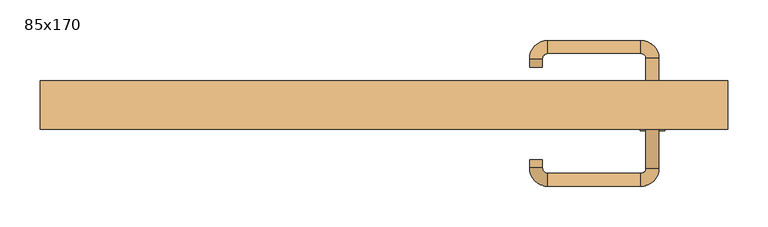
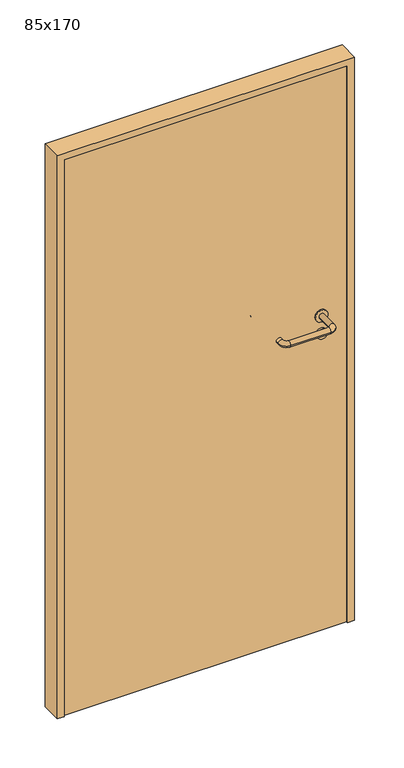
"""IFC4 building model written with IfcOpenShell, lengths in millimetres: door geometry, 85x170."""

from ifc_helpers import new_model, si_unit, point, frame, frame_2d, origin, origin_with_axes, place, context, project, spatial, polyline, circle_curve, ellipse_curve, trimmed, segment, composite_curve, outline, extrude, source, transform, mapped, element, save
from ifc_brep_helpers import plane_surface, cylinder_surface, revolved_surface, advanced_brep


def door_85x170_61586145(model_context):
    return source(origin(), model_context, "Body", "SolidModel", [
        extrude(outline(composite_curve([segment(trimmed(circle_curve(frame_2d((897.3605726, 332.0)), 15.0), [point((897.3605726, 347.0))], [point((897.3605726, 317.0))], False, "CARTESIAN"), True, "CONTINUOUS"), segment(trimmed(circle_curve(frame_2d((897.3605726, 332.0)), 15.0), [point((897.3605726, 317.0))], [point((897.3605726, 347.0))], False, "CARTESIAN"), True, "CONTINUOUS")], self_intersect=False), holes=[composite_curve([segment(trimmed(circle_curve(frame_2d((892.5833211, 331.9398032)), 2.0), [point((892.5833211, 333.9398032))], [point((892.5833211, 329.9398032))], True, "CARTESIAN"), True, "CONTINUOUS"), segment(polyline([(892.5833211, 329.9398032), (902.5833211, 329.9398032)]), True, "CONTINUOUS"), segment(trimmed(circle_curve(frame_2d((902.5833211, 331.9398032)), 2.0), [point((902.5833211, 329.9398032))], [point((902.5833211, 333.9398032))], True, "CARTESIAN"), True, "CONTINUOUS"), segment(polyline([(902.5833211, 333.9398032), (892.5833211, 333.9398032)]), True, "CONTINUOUS")], self_intersect=False)]), frame((0.0, 0.0, 0.0), z_axis=(0.0, 1.0, 0.0), x_axis=(0.0, 0.0, 1.0)), (0.0, 0.0, 1.0), 6.35),
        extrude(outline(composite_curve([segment(trimmed(circle_curve(frame_2d((950.0, 332.0)), 17.526), [point((950.0, 349.526))], [point((950.0, 314.474))], False, "CARTESIAN"), True, "CONTINUOUS"), segment(trimmed(circle_curve(frame_2d((950.0, 332.0)), 17.526), [point((950.0, 314.474))], [point((950.0, 349.526))], False, "CARTESIAN"), True, "CONTINUOUS")], self_intersect=False)), frame((0.0, 0.0, 0.0), z_axis=(0.0, 1.0, 0.0), x_axis=(0.0, 0.0, 1.0)), (0.0, 0.0, 1.0), 3.175),
        advanced_brep(
        [(340.0, 0.0, 950.0), (324.0, 0.0, 950.0), (340.0, 53.0, 950.0), (324.0, 53.0, 950.0), (317.8578644, 59.1421356, 950.0), (317.8578644, 75.1421356, 950.0), (202.8578644, 75.1421356, 950.0), (202.8578644, 59.1421356, 950.0), (196.008622, 52.2928932, 950.0), (180.008622, 52.2928932, 950.0), (180.008622, 42.2928932, 950.0), (196.008622, 42.2928932, 950.0)],
        [
            (0, 1, circle_curve(frame((332.0, 0.0, 950.0), z_axis=(0.0, -1.0, 0.0), x_axis=(-1.0, 0.0, 0.0)), 8.0)),
            (1, 0, circle_curve(frame((332.0, 0.0, 950.0), z_axis=(0.0, -1.0, 0.0), x_axis=(-1.0, 0.0, 0.0)), 8.0)),
            (0, 2),
            (2, 3, circle_curve(frame((332.0, 53.0, 950.0), z_axis=(0.0, -1.0, 0.0), x_axis=(-1.0, 0.0, 0.0)), 8.0)),
            (3, 1),
            (3, 2, circle_curve(frame((332.0, 53.0, 950.0), z_axis=(0.0, -1.0, 0.0), x_axis=(-1.0, 0.0, 0.0)), 8.0)),
            (4, 3, circle_curve(frame((317.8578644, 53.0, 950.0), z_axis=(0.0, 0.0, -1.0), x_axis=(1.0, 0.0, 0.0)), 6.1421356)),
            (2, 5, circle_curve(frame((317.8578644, 53.0, 950.0), z_axis=(0.0, 0.0, 1.0), x_axis=(1.0, 0.0, 0.0)), 22.1421356)),
            (5, 4, circle_curve(frame((317.8578644, 67.1421356, 950.0), z_axis=(1.0, 0.0, 0.0), x_axis=(0.0, -1.0, 0.0)), 8.0)),
            (4, 5, circle_curve(frame((317.8578644, 67.1421356, 950.0), z_axis=(1.0, 0.0, 0.0), x_axis=(0.0, -1.0, 0.0)), 8.0)),
            (5, 6),
            (6, 7, circle_curve(frame((202.8578644, 67.1421356, 950.0), z_axis=(1.0, 0.0, 0.0), x_axis=(0.0, -1.0, 0.0)), 8.0)),
            (7, 4),
            (7, 6, circle_curve(frame((202.8578644, 67.1421356, 950.0), z_axis=(1.0, 0.0, 0.0), x_axis=(0.0, -1.0, 0.0)), 8.0)),
            (8, 7, circle_curve(frame((202.8578644, 52.2928932, 950.0), z_axis=(0.0, 0.0, -1.0), x_axis=(0.0, 1.0, 0.0)), 6.8492424)),
            (6, 9, circle_curve(frame((202.8578644, 52.2928932, 950.0), z_axis=(0.0, 0.0, 1.0), x_axis=(0.0, 1.0, 0.0)), 22.8492424)),
            (9, 8, circle_curve(frame((188.008622, 52.2928932, 950.0), z_axis=(0.0, 1.0, 0.0), x_axis=(1.0, 0.0, 0.0)), 8.0)),
            (8, 9, circle_curve(frame((188.008622, 52.2928932, 950.0), z_axis=(0.0, 1.0, 0.0), x_axis=(1.0, 0.0, 0.0)), 8.0)),
            (10, 11, circle_curve(frame((188.008622, 42.2928932, 950.0), z_axis=(0.0, -1.0, 0.0), x_axis=(1.0, 0.0, 0.0)), 8.0)),
            (11, 10, circle_curve(frame((188.008622, 42.2928932, 950.0), z_axis=(0.0, -1.0, 0.0), x_axis=(1.0, 0.0, 0.0)), 8.0)),
            (9, 10),
            (11, 8),
        ],
        [
            plane_surface(frame((332.0, 0.0, 0.0), z_axis=(0.0, -1.0, 0.0), x_axis=(0.0, 0.0, 1.0))),
            cylinder_surface(frame((332.0, 0.0, 950.0), z_axis=(0.0, -1.0, 0.0), x_axis=(-1.0, 0.0, 0.0)), 8.0),
            revolved_surface(trimmed(ellipse_curve(frame((332.0, 53.0, 950.0), z_axis=(0.0, -1.0, 0.0), x_axis=(-1.0, 0.0, 0.0)), 8.0, 8.0), [point((340.0, 53.0, 950.0))], [point((324.0, 53.0, 950.0))], True, "CARTESIAN"), (317.8578644, 53.0, 0.0), (0.0, 0.0, 1.0)),
            revolved_surface(trimmed(ellipse_curve(frame((332.0, 53.0, 950.0), z_axis=(0.0, -1.0, 0.0), x_axis=(-1.0, 0.0, 0.0)), 8.0, 8.0), [point((324.0, 53.0, 950.0))], [point((340.0, 53.0, 950.0))], True, "CARTESIAN"), (317.8578644, 53.0, 0.0), (0.0, 0.0, 1.0)),
            cylinder_surface(frame((317.8578644, 67.1421356, 950.0), z_axis=(1.0, 0.0, 0.0), x_axis=(0.0, -1.0, 0.0)), 8.0),
            revolved_surface(trimmed(ellipse_curve(frame((202.8578644, 67.1421356, 950.0), z_axis=(1.0, 0.0, 0.0), x_axis=(0.0, -1.0, 0.0)), 8.0, 8.0), [point((202.8578644, 75.1421356, 950.0))], [point((202.8578644, 59.1421356, 950.0))], True, "CARTESIAN"), (202.8578644, 52.2928932, 0.0), (0.0, 0.0, 1.0)),
            revolved_surface(trimmed(ellipse_curve(frame((202.8578644, 67.1421356, 950.0), z_axis=(1.0, 0.0, 0.0), x_axis=(0.0, -1.0, 0.0)), 8.0, 8.0), [point((202.8578644, 59.1421356, 950.0))], [point((202.8578644, 75.1421356, 950.0))], True, "CARTESIAN"), (202.8578644, 52.2928932, 0.0), (0.0, 0.0, 1.0)),
            plane_surface(frame((188.008622, 42.2928932, 0.0), z_axis=(0.0, -1.0, 0.0), x_axis=(0.0, 0.0, 1.0))),
            cylinder_surface(frame((188.008622, 52.2928932, 950.0), z_axis=(0.0, 1.0, 0.0), x_axis=(1.0, 0.0, 0.0)), 8.0),
        ],
        [
            (0, [[1, 2]]),
            (1, [[-1, 3, 4, 5]]),
            (1, [[-2, -5, 6, -3]]),
            (2, [[7, -4, 8, 9]]),
            (3, [[-8, -6, -7, 10]]),
            (4, [[-9, 11, 12, 13]]),
            (4, [[-10, -13, 14, -11]]),
            (5, [[15, -12, 16, 17]]),
            (6, [[-16, -14, -15, 18]]),
            (7, [[19, 20]]),
            (8, [[-17, 21, -20, 22]]),
            (8, [[-18, -22, -19, -21]]),
        ],
    ),
        extrude(outline(composite_curve([segment(trimmed(circle_curve(frame_2d((0.0, 15.0)), 15.0), [point((0.0, 30.0))], [point((0.0, 0.0))], False, "CARTESIAN"), True, "CONTINUOUS"), segment(trimmed(circle_curve(frame_2d((0.0, 15.0)), 15.0), [point((0.0, 0.0))], [point((0.0, 30.0))], False, "CARTESIAN"), True, "CONTINUOUS")], self_intersect=False), holes=[composite_curve([segment(trimmed(circle_curve(frame_2d((-4.7772515, 14.9398032)), 2.0), [point((-4.7772515, 16.9398032))], [point((-4.7772515, 12.9398032))], True, "CARTESIAN"), True, "CONTINUOUS"), segment(polyline([(-4.7772515, 12.9398032), (5.2227485, 12.9398032)]), True, "CONTINUOUS"), segment(trimmed(circle_curve(frame_2d((5.2227485, 14.9398032)), 2.0), [point((5.2227485, 12.9398032))], [point((5.2227485, 16.9398032))], True, "CARTESIAN"), True, "CONTINUOUS"), segment(polyline([(5.2227485, 16.9398032), (-4.7772515, 16.9398032)]), True, "CONTINUOUS")], self_intersect=False)]), frame((317.0, -36.35, 897.3605726), z_axis=(-1.8870575173328306e-12, 1.0, 0.0), x_axis=(0.0, 0.0, 1.0)), (0.0, 0.0, 1.0), 6.35),
        extrude(outline(composite_curve([segment(trimmed(circle_curve(frame_2d((0.0, 17.526)), 17.526), [point((0.0, 35.052))], [point((0.0, 0.0))], False, "CARTESIAN"), True, "CONTINUOUS"), segment(trimmed(circle_curve(frame_2d((0.0, 17.526)), 17.526), [point((0.0, 0.0))], [point((0.0, 35.052))], False, "CARTESIAN"), True, "CONTINUOUS")], self_intersect=False)), frame((314.474, -33.175, 950.0), z_axis=(-1.8870575173328306e-12, 1.0, 0.0), x_axis=(0.0, 0.0, 1.0)), (0.0, 0.0, 1.0), 3.175),
        advanced_brep(
        [(340.0, -30.0, 950.0), (324.0, -30.0, 950.0), (324.0, -83.0, 950.0), (340.0, -83.0, 950.0), (317.8578644, -89.1421356, 950.0), (317.8578644, -105.1421356, 950.0), (202.8578644, -89.1421356, 950.0), (202.8578644, -105.1421356, 950.0), (196.008622, -82.2928932, 950.0), (180.008622, -82.2928932, 950.0), (180.008622, -72.2928932, 950.0), (196.008622, -72.2928932, 950.0)],
        [
            (0, 1, circle_curve(frame((332.0, -30.0, 950.0), z_axis=(-1.888672253512351e-12, 1.0, 0.0), x_axis=(-1.0, -1.888672253512351e-12, 0.0)), 8.0)),
            (1, 0, circle_curve(frame((332.0, -30.0, 950.0), z_axis=(-1.888672253512351e-12, 1.0, 0.0), x_axis=(-1.0, -1.888672253512351e-12, 0.0)), 8.0)),
            (1, 2),
            (2, 3, circle_curve(frame((332.0, -83.0, 950.0), z_axis=(-1.888672253512351e-12, 1.0, 0.0), x_axis=(-1.0, -1.888672253512351e-12, 0.0)), 8.0)),
            (3, 0),
            (3, 2, circle_curve(frame((332.0, -83.0, 950.0), z_axis=(-1.888672253512351e-12, 1.0, 0.0), x_axis=(-1.0, -1.888672253512351e-12, 0.0)), 8.0)),
            (4, 5, circle_curve(frame((317.8578644, -97.1421356, 950.0), z_axis=(1.0, 1.913702061528922e-12, 0.0), x_axis=(-1.913702061528922e-12, 1.0, 0.0)), 8.0)),
            (5, 3, circle_curve(frame((317.8578644, -83.0, 950.0), z_axis=(0.0, 0.0, 1.0), x_axis=(1.0, 1.880717803715015e-12, 0.0)), 22.1421356)),
            (2, 4, circle_curve(frame((317.8578644, -83.0, 950.0), z_axis=(0.0, 0.0, -1.0), x_axis=(1.0, 1.880717803715015e-12, 0.0)), 6.1421356)),
            (5, 4, circle_curve(frame((317.8578644, -97.1421356, 950.0), z_axis=(1.0, 1.913702061528922e-12, 0.0), x_axis=(-1.913702061528922e-12, 1.0, 0.0)), 8.0)),
            (4, 6),
            (6, 7, circle_curve(frame((202.8578644, -97.1421356, 950.0), z_axis=(1.0, 1.913719828541269e-12, 0.0), x_axis=(-1.913719828541269e-12, 1.0, 0.0)), 8.0)),
            (7, 5),
            (7, 6, circle_curve(frame((202.8578644, -97.1421356, 950.0), z_axis=(1.0, 1.913719828541269e-12, 0.0), x_axis=(-1.913719828541269e-12, 1.0, 0.0)), 8.0)),
            (8, 9, circle_curve(frame((188.008622, -82.2928932, 950.0), z_axis=(1.8888942981172756e-12, -1.0, 0.0), x_axis=(1.0, 1.8888942981172756e-12, 0.0)), 8.0)),
            (9, 7, circle_curve(frame((202.8578644, -82.2928932, 950.0), z_axis=(0.0, 0.0, 1.0), x_axis=(1.9120873253494017e-12, -1.0, 0.0)), 22.8492424)),
            (6, 8, circle_curve(frame((202.8578644, -82.2928932, 950.0), z_axis=(0.0, 0.0, -1.0), x_axis=(1.9120873253494017e-12, -1.0, 0.0)), 6.8492424)),
            (9, 8, circle_curve(frame((188.008622, -82.2928932, 950.0), z_axis=(1.890448610351751e-12, -1.0, 0.0), x_axis=(1.0, 1.890448610351751e-12, 0.0)), 8.0)),
            (10, 11, circle_curve(frame((188.008622, -72.2928932, 950.0), z_axis=(-1.8903642334018795e-12, 1.0, 0.0), x_axis=(1.0, 1.8903642334018795e-12, 0.0)), 8.0)),
            (11, 10, circle_curve(frame((188.008622, -72.2928932, 950.0), z_axis=(-1.8903642334018795e-12, 1.0, 0.0), x_axis=(1.0, 1.8903642334018795e-12, 0.0)), 8.0)),
            (8, 11),
            (10, 9),
        ],
        [
            plane_surface(frame((332.0, -30.0, 0.0), z_axis=(-1.8870575173328306e-12, 1.0, 0.0), x_axis=(0.0, 0.0, 1.0))),
            cylinder_surface(frame((332.0, -30.0, 950.0), z_axis=(-1.888672253512351e-12, 1.0, 0.0), x_axis=(-1.0, -1.888672253512351e-12, 0.0)), 8.0),
            revolved_surface(trimmed(ellipse_curve(frame((332.0, -83.0, 950.0), z_axis=(1.8823325398945356e-12, -1.0, 0.0), x_axis=(-1.0, -1.8823325398945356e-12, 0.0)), 8.0, 8.0), [point((340.0, -83.0, 950.0))], [point((324.0, -83.0, 950.0))], True, "CARTESIAN"), (317.8578644, -83.0, 0.0), (0.0, 0.0, 1.0)),
            revolved_surface(trimmed(ellipse_curve(frame((332.0, -83.0, 950.0), z_axis=(1.8823325398945356e-12, -1.0, 0.0), x_axis=(-1.0, -1.8823325398945356e-12, 0.0)), 8.0, 8.0), [point((324.0, -83.0, 950.0))], [point((340.0, -83.0, 950.0))], True, "CARTESIAN"), (317.8578644, -83.0, 0.0), (0.0, 0.0, 1.0)),
            cylinder_surface(frame((317.8578644, -97.1421356, 950.0), z_axis=(1.0, 1.913719828541269e-12, 0.0), x_axis=(-1.913719828541269e-12, 1.0, 0.0)), 8.0),
            revolved_surface(trimmed(ellipse_curve(frame((202.8578644, -97.1421356, 950.0), z_axis=(-1.0, -1.913702061528922e-12, 0.0), x_axis=(-1.913702061528922e-12, 1.0, 0.0)), 8.0, 8.0), [point((202.8578644, -105.1421356, 950.0))], [point((202.8578644, -89.1421356, 950.0))], True, "CARTESIAN"), (202.8578644, -82.2928932, 0.0), (0.0, 0.0, 1.0)),
            revolved_surface(trimmed(ellipse_curve(frame((202.8578644, -97.1421356, 950.0), z_axis=(-1.0, -1.913702061528922e-12, 0.0), x_axis=(-1.913702061528922e-12, 1.0, 0.0)), 8.0, 8.0), [point((202.8578644, -89.1421356, 950.0))], [point((202.8578644, -105.1421356, 950.0))], True, "CARTESIAN"), (202.8578644, -82.2928932, 0.0), (0.0, 0.0, 1.0)),
            plane_surface(frame((188.008622, -72.2928932, 0.0), z_axis=(-1.8887494972223595e-12, 1.0, 0.0), x_axis=(0.0, 0.0, 1.0))),
            cylinder_surface(frame((188.008622, -82.2928932, 950.0), z_axis=(1.8903642334018795e-12, -1.0, 0.0), x_axis=(1.0, 1.8903642334018795e-12, 0.0)), 8.0),
        ],
        [
            (0, [[1, 2]]),
            (1, [[3, 4, 5, -2]]),
            (1, [[-5, 6, -3, -1]]),
            (2, [[7, 8, -4, 9]]),
            (3, [[10, -9, -6, -8]]),
            (4, [[11, 12, 13, -7]]),
            (4, [[-13, 14, -11, -10]]),
            (5, [[15, 16, -12, 17]]),
            (6, [[18, -17, -14, -16]]),
            (7, [[19, 20]]),
            (8, [[21, -19, 22, -15]]),
            (8, [[-22, -20, -21, -18]]),
        ],
    ),
        extrude(outline(polyline([(1680.0, 405.0), (0.0, 405.0), (0.0, 425.0), (1700.0, 425.0), (1700.0, -425.0), (0.0, -425.0), (0.0, -405.0), (1680.0, -405.0), (1680.0, 405.0)])), frame((0.0, -35.0, 0.0), z_axis=(0.0, 1.0, 0.0), x_axis=(0.0, 0.0, 1.0)), (0.0, 0.0, 1.0), 60.0),
        extrude(outline(polyline([(-405.0, -30.0), (-405.0, 0.0), (405.0, 0.0), (405.0, -30.0), (-405.0, -30.0)])), origin_with_axes(), (0.0, 0.0, 1.0), 1680.0),
    ])


if __name__ == "__main__":
    model = new_model("IFC4")
    model_context = context("Model", 3, world=origin())
    ifc_project = project(units=[si_unit("LENGTHUNIT", "METRE", prefix="MILLI")], contexts=[model_context])
    site = spatial("IfcSite", under=ifc_project)
    building = spatial("IfcBuilding", under=site)
    placement = place(None, origin())
    door_85x170_shape = door_85x170_61586145(model_context)
    element("IfcDoor", 1, ObjectType="85x170", at=placement, inside=building, context=model_context, shape_type="MappedRepresentation", body=[
        mapped(door_85x170_shape, transform((0.0, 0.0, 0.0), x_axis=(1.0, 0.0, 0.0), y_axis=(0.0, 1.0, 0.0), z_axis=(0.0, 0.0, 1.0))),
    ])
    save(model, "model.ifc")
